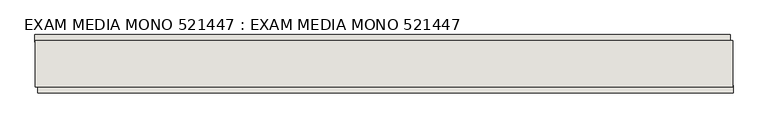
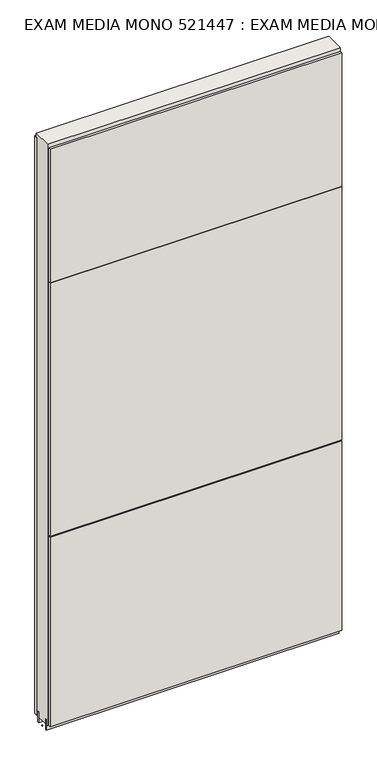
"""IFC4 building model written with IfcOpenShell, lengths in millimetres: wall geometry, EXAM MEDIA MONO 521447 : EXAM MEDIA MONO 521447."""

from ifc_helpers import new_model, si_unit, frame, origin, place, context, project, spatial, polyline, outline, extrude, source, transform, mapped, element, save


def exam_media_mono_521447_exam_media_mono_521447_3dab087a(model_context):
    return source(origin(), model_context, "Body", "SweptSolid", [
        extrude(outline(polyline([(41317.545, -47722.5245954), (41315.005, -47722.5245954), (41315.005, -47719.9845954), (41317.545, -47719.9845954), (41317.545, -47722.5245954)])), frame((0.0, 0.0, 4419.6), z_axis=(0.0, 0.0, 1.0), x_axis=(1.0, 0.0, 0.0)), (0.0, 0.0, 1.0), 2.54),
        extrude(outline(polyline([(41314.538783, -47670.4545954), (42529.738791, -47670.4545954), (42529.738791, -47683.1545954), (41314.538783, -47683.1545954), (41314.538783, -47670.4545954)])), frame((0.0, 0.0, 4445.0), z_axis=(0.0, 0.0, 1.0), x_axis=(1.0, 0.0, 0.0)), (0.0, 0.0, 1.0), 2545.0498756),
        extrude(outline(polyline([(42534.6687278, -47772.0545954), (41319.4687198, -47772.0545954), (41319.4687198, -47759.3545954), (42534.6687278, -47759.3545954), (42534.6687278, -47772.0545954)])), frame((0.0, 0.0, 6402.8000722), z_axis=(0.0, 0.0, 1.0), x_axis=(1.0, 0.0, 0.0)), (0.0, 0.0, 1.0), 587.2498034),
        extrude(outline(polyline([(42534.6687278, -47772.0545954), (41319.4687198, -47772.0545954), (41319.4687198, -47759.3545954), (42534.6687278, -47759.3545954), (42534.6687278, -47772.0545954)])), frame((0.0, 0.0, 5285.2000722), z_axis=(0.0, 0.0, 1.0), x_axis=(1.0, 0.0, 0.0)), (0.0, 0.0, 1.0), 1113.5999572),
        extrude(outline(polyline([(42534.6687278, -47772.0545954), (41319.4687198, -47772.0545954), (41319.4687198, -47759.3545954), (42534.6687278, -47759.3545954), (42534.6687278, -47772.0545954)])), frame((0.0, 0.0, 4445.0), z_axis=(0.0, 0.0, 1.0), x_axis=(1.0, 0.0, 0.0)), (0.0, 0.0, 1.0), 836.200004),
        extrude(outline(polyline([(42534.2037554, -47696.1708508), (41315.0037554, -47696.1708508), (41315.0037554, -47691.0920954), (42534.2037554, -47691.0920954), (42534.2037554, -47696.1708508)])), frame((0.0, 0.0, 4418.6602), z_axis=(0.0, 0.0, 1.0), x_axis=(1.0, 0.0, 0.0)), (0.0, 0.0, 1.0), 47.625),
        extrude(outline(polyline([(42534.2037554, -47696.1708508), (41315.0037554, -47696.1708508), (41315.0037554, -47691.0920954), (42534.2037554, -47691.0920954), (42534.2037554, -47696.1708508)])), frame((0.0, 0.0, 4418.6602), z_axis=(0.0, 0.0, 1.0), x_axis=(1.0, 0.0, 0.0)), (0.0, 0.0, 1.0), 47.625),
        extrude(outline(polyline([(41315.0037554, -47746.3352412), (42534.2037554, -47746.3352412), (42534.2037554, -47751.4170954), (41315.0037554, -47751.4170954), (41315.0037554, -47746.3352412)])), frame((0.0, 0.0, 4418.6602), z_axis=(0.0, 0.0, 1.0), x_axis=(1.0, 0.0, 0.0)), (0.0, 0.0, 1.0), 47.625),
        extrude(outline(polyline([(41315.0037554, -47746.3352412), (42534.2037554, -47746.3352412), (42534.2037554, -47751.4170954), (41315.0037554, -47751.4170954), (41315.0037554, -47746.3352412)])), frame((0.0, 0.0, 4418.6602), z_axis=(0.0, 0.0, 1.0), x_axis=(1.0, 0.0, 0.0)), (0.0, 0.0, 1.0), 47.625),
        extrude(outline(polyline([(42534.2037554, -47680.6245014), (42534.2037554, -47761.906381), (41315.0037554, -47761.906381), (41315.0037554, -47680.6245014), (42534.2037554, -47680.6245014)])), frame((0.0, 0.0, 4445.0), z_axis=(0.0, 0.0, 1.0), x_axis=(1.0, 0.0, 0.0)), (0.0, 0.0, 1.0), 2562.4536762),
    ])


if __name__ == "__main__":
    model = new_model("IFC4")
    model_context = context("Model", 3, world=origin())
    ifc_project = project(units=[si_unit("LENGTHUNIT", "METRE", prefix="MILLI")], contexts=[model_context])
    site = spatial("IfcSite", under=ifc_project)
    building = spatial("IfcBuilding", under=site)
    placement = place(None, origin())
    exam_media_mono_521447_exam_media_mono_521447_shape = exam_media_mono_521447_exam_media_mono_521447_3dab087a(model_context)
    element("IfcWall", 1, ObjectType="EXAM MEDIA MONO 521447 : EXAM MEDIA MONO 521447", at=placement, inside=building, context=model_context, shape_type="MappedRepresentation", body=[
        mapped(exam_media_mono_521447_exam_media_mono_521447_shape, transform((0.0, 0.0, 0.0), x_axis=(1.0, 0.0, 0.0), y_axis=(0.0, 1.0, 0.0), z_axis=(0.0, 0.0, 1.0))),
    ])
    save(model, "model.ifc")
